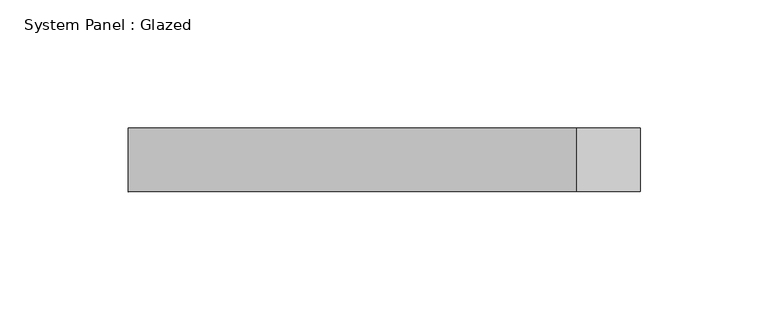
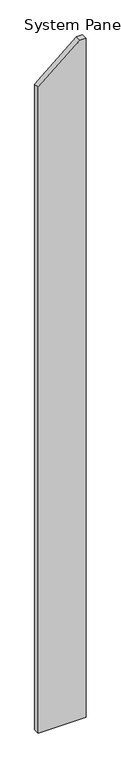
"""IFC4 building model written with IfcOpenShell, lengths in millimetres: plate geometry, System Panel : Glazed."""

from ifc_helpers import new_model, si_unit, frame, origin, place, context, project, spatial, polyline, outline, extrude, source, transform, mapped, element, save


def system_panel_glazed_0e815b6b(model_context):
    return source(origin(), model_context, "Body", "SweptSolid", [
        extrude(outline(polyline([(0.0, -100.0), (0.0, 100.0), (3000.0, 100.0), (3000.0, 75.2607775), (2852.9387463, -100.0), (0.0, -100.0)])), frame((0.0, 24.5, 0.0), z_axis=(0.0, 1.0, 0.0), x_axis=(0.0, 0.0, 1.0)), (0.0, 0.0, 1.0), 25.0),
    ])


if __name__ == "__main__":
    model = new_model("IFC4")
    model_context = context("Model", 3, world=origin())
    ifc_project = project(units=[si_unit("LENGTHUNIT", "METRE", prefix="MILLI")], contexts=[model_context])
    site = spatial("IfcSite", under=ifc_project)
    building = spatial("IfcBuilding", under=site)
    placement = place(None, origin())
    system_panel_glazed_shape = system_panel_glazed_0e815b6b(model_context)
    element("IfcPlate", 1, ObjectType="System Panel : Glazed", at=placement, inside=building, context=model_context, shape_type="MappedRepresentation", body=[
        mapped(system_panel_glazed_shape, transform((0.0, 0.0, 0.0), x_axis=(1.0, 0.0, 0.0), y_axis=(0.0, 1.0, 0.0), z_axis=(0.0, 0.0, 1.0))),
    ])
    save(model, "model.ifc")
